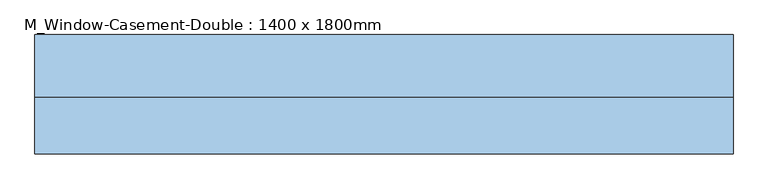
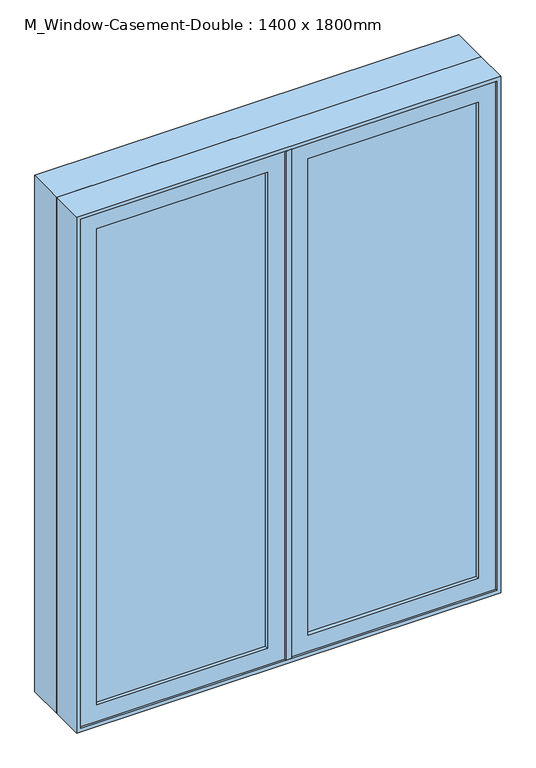
"""IFC4 building model written with IfcOpenShell, lengths in millimetres: window geometry, M_Window-Casement-Double : 1400 x 1800mm."""

from ifc_helpers import new_model, si_unit, frame, origin, place, context, project, spatial, polyline, outline, extrude, faceted_brep, source, transform, mapped, element, save


def m_window_casement_double_1400_x_1800mm_4c5ead5f(model_context):
    return source(origin(), model_context, "Body", "SolidModel", [
        faceted_brep([(9.525, -129.05, 2687.3), (9.525, -78.25, 2687.3), (-9.525, -78.25, 2687.3), (-9.525, -129.05, 2687.3), (9.525, -129.05, 912.7), (-9.525, -129.05, 912.7), (-9.525, -78.25, 912.7), (9.525, -78.25, 912.7), (-9.525, -78.25, 2668.25), (-9.525, -78.25, 931.75), (-30.1625, -78.25, 2668.25), (-30.1625, -78.25, 931.75), (-30.1625, -14.75, 2668.25), (-30.1625, -14.75, 931.75), (30.1625, -14.75, 2668.25), (30.1625, -14.75, 931.75), (30.1625, -78.25, 2668.25), (30.1625, -78.25, 931.75), (9.525, -78.25, 2668.25), (9.525, -78.25, 931.75)], [[[0, 1, 2, 3]], [[4, 5, 6, 7]], [[3, 5, 4, 0]], [[2, 8, 9, 6, 5, 3]], [[8, 10, 11, 9]], [[10, 12, 13, 11]], [[12, 14, 15, 13]], [[14, 16, 17, 15]], [[16, 18, 19, 17]], [[0, 4, 7, 19, 18, 1]], [[8, 2, 1, 18]], [[19, 7, 6, 9]], [[9, 11, 13, 15, 17, 19]], [[18, 16, 14, 12, 10, 8]]]),
        extrude(outline(polyline([(-66.675, -110.0), (-630.15, -110.0), (-630.15, -103.65), (-66.675, -103.65), (-66.675, -110.0)])), frame((0.0, 0.0, 969.85), z_axis=(0.0, 0.0, 1.0), x_axis=(1.0, 0.0, 0.0)), (0.0, 0.0, 1.0), 1660.3),
        extrude(outline(polyline([(-630.15, -90.95), (-66.675, -90.95), (-66.675, -97.3), (-630.15, -97.3), (-630.15, -90.95)])), frame((0.0, 0.0, 969.85), z_axis=(0.0, 0.0, 1.0), x_axis=(1.0, 0.0, 0.0)), (0.0, 0.0, 1.0), 1660.3),
        extrude(outline(polyline([(630.15, -110.0), (66.675, -110.0), (66.675, -103.65), (630.15, -103.65), (630.15, -110.0)])), frame((0.0, 0.0, 969.85), z_axis=(0.0, 0.0, 1.0), x_axis=(1.0, 0.0, 0.0)), (0.0, 0.0, 1.0), 1660.3),
        extrude(outline(polyline([(66.675, -90.95), (630.15, -90.95), (630.15, -97.3), (66.675, -97.3), (66.675, -90.95)])), frame((0.0, 0.0, 969.85), z_axis=(0.0, 0.0, 1.0), x_axis=(1.0, 0.0, 0.0)), (0.0, 0.0, 1.0), 1660.3),
        extrude(outline(polyline([(2687.3, -9.525), (2687.3, -687.3), (912.7, -687.3), (912.7, -9.525), (2687.3, -9.525)]), holes=[polyline([(2630.15, -630.15), (2630.15, -66.675), (969.85, -66.675), (969.85, -630.15), (2630.15, -630.15)])]), frame((0.0, -122.7, 0.0), z_axis=(0.0, 1.0, 0.0), x_axis=(0.0, 0.0, 1.0)), (0.0, 0.0, 1.0), 44.45),
        extrude(outline(polyline([(912.7, 9.525), (912.7, 687.3), (2687.3, 687.3), (2687.3, 9.525), (912.7, 9.525)]), holes=[polyline([(969.85, 630.15), (969.85, 66.675), (2630.15, 66.675), (2630.15, 630.15), (969.85, 630.15)])]), frame((0.0, -122.7, 0.0), z_axis=(0.0, 1.0, 0.0), x_axis=(0.0, 0.0, 1.0)), (0.0, 0.0, 1.0), 44.45),
        extrude(outline(polyline([(2700.0, -700.0), (900.0, -700.0), (900.0, 700.0), (2700.0, 700.0), (2700.0, -700.0)]), holes=[polyline([(2680.95, 680.95), (919.05, 680.95), (919.05, -680.95), (2680.95, -680.95), (2680.95, 680.95)])]), frame((0.0, -14.75, 0.0), z_axis=(0.0, 1.0, 0.0), x_axis=(0.0, 0.0, 1.0)), (0.0, 0.0, 1.0), 124.75),
        faceted_brep([(668.25, -78.25, 2668.25), (-668.25, -78.25, 2668.25), (-668.25, -14.75, 2668.25), (668.25, -14.75, 2668.25), (687.3, -129.05, 2687.3), (-687.3, -129.05, 2687.3), (-687.3, -78.25, 2687.3), (687.3, -78.25, 2687.3), (700.0, -14.75, 2700.0), (-700.0, -14.75, 2700.0), (-700.0, -129.05, 2700.0), (700.0, -129.05, 2700.0), (-668.25, -78.25, 931.75), (-668.25, -14.75, 931.75), (-687.3, -129.05, 912.7), (-687.3, -78.25, 912.7), (-700.0, -14.75, 900.0), (-700.0, -129.05, 900.0), (668.25, -78.25, 931.75), (668.25, -14.75, 931.75), (687.3, -129.05, 912.7), (687.3, -78.25, 912.7), (700.0, -14.75, 900.0), (700.0, -129.05, 900.0)], [[[0, 1, 2, 3]], [[4, 5, 6, 7]], [[8, 9, 10, 11]], [[1, 12, 13, 2]], [[5, 14, 15, 6]], [[9, 16, 17, 10]], [[12, 18, 19, 13]], [[14, 20, 21, 15]], [[16, 22, 23, 17]], [[9, 8, 22, 16], [3, 2, 13, 19]], [[18, 0, 3, 19]], [[7, 6, 15, 21], [1, 0, 18, 12]], [[20, 4, 7, 21]], [[22, 8, 11, 23]], [[11, 10, 17, 23], [5, 4, 20, 14]]]),
    ])


if __name__ == "__main__":
    model = new_model("IFC4")
    model_context = context("Model", 3, world=origin())
    ifc_project = project(units=[si_unit("LENGTHUNIT", "METRE", prefix="MILLI")], contexts=[model_context])
    site = spatial("IfcSite", under=ifc_project)
    building = spatial("IfcBuilding", under=site)
    placement = place(None, origin())
    m_window_casement_double_1400_x_1800mm_shape = m_window_casement_double_1400_x_1800mm_4c5ead5f(model_context)
    element("IfcWindow", 1, ObjectType="M_Window-Casement-Double : 1400 x 1800mm", at=placement, inside=building, context=model_context, shape_type="MappedRepresentation", body=[
        mapped(m_window_casement_double_1400_x_1800mm_shape, transform((0.0, 0.0, 0.0), x_axis=(1.0, 0.0, 0.0), y_axis=(0.0, 1.0, 0.0), z_axis=(0.0, 0.0, 1.0))),
    ])
    save(model, "model.ifc")
